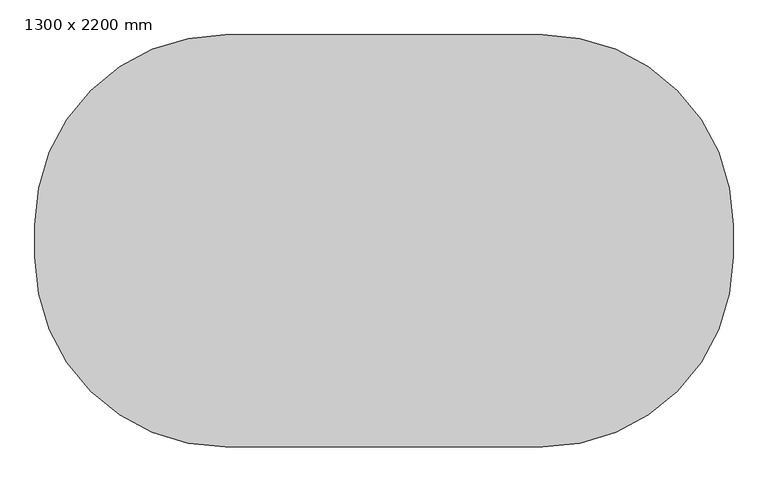
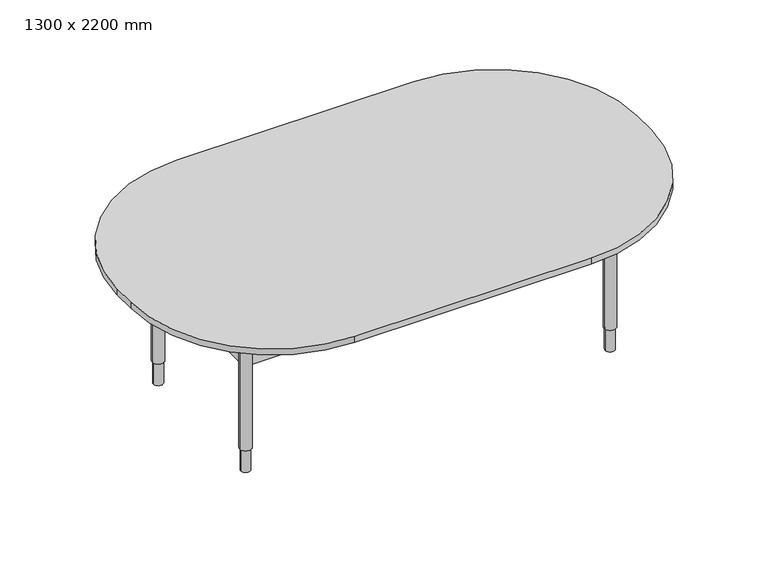
"""IFC4 building model written with IfcOpenShell, lengths in millimetres: furniture geometry, 1300 x 2200 mm."""

from ifc_helpers import new_model, si_unit, point, frame, frame_2d, origin, place, context, project, spatial, polyline, circle_curve, trimmed, segment, composite_curve, outline, extrude, faceted_brep, source, transform, mapped, element, save
from ifc_brep_helpers import plane_surface, cylinder_surface, advanced_brep


def furniture_1300_x_2200_mm_aa244a11(model_context):
    return source(origin(), model_context, "Body", "SolidModel", [
        extrude(outline(composite_curve([segment(trimmed(circle_curve(frame_2d((1056.8078121, -605.0)), 25.0), [point((1081.8078121, -605.0))], [point((1031.8078121, -605.0))], False, "CARTESIAN"), True, "CONTINUOUS"), segment(trimmed(circle_curve(frame_2d((1056.8078121, -605.0)), 25.0), [point((1031.8078121, -605.0))], [point((1081.8078121, -605.0))], False, "CARTESIAN"), True, "CONTINUOUS")], self_intersect=False)), frame((0.0, 0.0, 658.0), z_axis=(0.0, 0.0, 1.0), x_axis=(1.0, 0.0, 0.0)), (0.0, 0.0, 1.0), 15.0),
        extrude(outline(composite_curve([segment(trimmed(circle_curve(frame_2d((1156.8078121, -705.0)), 25.0), [point((1181.8078121, -705.0))], [point((1131.8078121, -705.0))], False, "CARTESIAN"), True, "CONTINUOUS"), segment(trimmed(circle_curve(frame_2d((1156.8078121, -705.0)), 25.0), [point((1131.8078121, -705.0))], [point((1181.8078121, -705.0))], False, "CARTESIAN"), True, "CONTINUOUS")], self_intersect=False)), frame((0.0, 0.0, 658.0), z_axis=(0.0, 0.0, 1.0), x_axis=(1.0, 0.0, 0.0)), (0.0, 0.0, 1.0), 15.0),
        extrude(outline(composite_curve([segment(trimmed(circle_curve(frame_2d((1056.8078121, -805.0)), 25.0), [point((1081.8078121, -805.0))], [point((1031.8078121, -805.0))], False, "CARTESIAN"), True, "CONTINUOUS"), segment(trimmed(circle_curve(frame_2d((1056.8078121, -805.0)), 25.0), [point((1031.8078121, -805.0))], [point((1081.8078121, -805.0))], False, "CARTESIAN"), True, "CONTINUOUS")], self_intersect=False)), frame((0.0, 0.0, 658.0), z_axis=(0.0, 0.0, 1.0), x_axis=(1.0, 0.0, 0.0)), (0.0, 0.0, 1.0), 15.0),
        extrude(outline(composite_curve([segment(trimmed(circle_curve(frame_2d((956.8078121, -705.0)), 25.0), [point((981.8078121, -705.0))], [point((931.8078121, -705.0))], False, "CARTESIAN"), True, "CONTINUOUS"), segment(trimmed(circle_curve(frame_2d((956.8078121, -705.0)), 25.0), [point((931.8078121, -705.0))], [point((981.8078121, -705.0))], False, "CARTESIAN"), True, "CONTINUOUS")], self_intersect=False)), frame((0.0, 0.0, 658.0), z_axis=(0.0, 0.0, 1.0), x_axis=(1.0, 0.0, 0.0)), (0.0, 0.0, 1.0), 15.0),
        faceted_brep([(951.8078121, -715.0, 635.8867513), (1034.7500985, -715.0, 588.0), (1046.8078121, -715.0, 588.0), (1046.8078121, -715.0, 603.0), (1028.7693364, -715.0, 603.0), (961.8078121, -715.0, 641.660254), (961.8078121, -715.0, 658.0), (951.8078121, -715.0, 658.0), (1078.8655258, -715.0, 588.0), (1161.8078121, -715.0, 635.8867513), (1161.8078121, -715.0, 658.0), (1151.8078121, -715.0, 658.0), (1151.8078121, -715.0, 641.660254), (1084.8462879, -715.0, 603.0), (1066.8078121, -715.0, 603.0), (1066.8078121, -715.0, 588.0), (951.8078121, -695.0, 635.8867513), (951.8078121, -695.0, 658.0), (961.8078121, -695.0, 658.0), (961.8078121, -695.0, 641.660254), (1028.7693364, -695.0, 603.0), (1046.8078121, -695.0, 603.0), (1046.8078121, -695.0, 588.0), (1034.7500985, -695.0, 588.0), (1084.8462879, -695.0, 603.0), (1151.8078121, -695.0, 641.660254), (1151.8078121, -695.0, 658.0), (1161.8078121, -695.0, 658.0), (1161.8078121, -695.0, 635.8867513), (1078.8655258, -695.0, 588.0), (1066.8078121, -695.0, 588.0), (1066.8078121, -695.0, 603.0), (1046.8078121, -682.9422863, 588.0), (1066.8078121, -682.9422863, 588.0), (1066.8078121, -727.0577137, 588.0), (1046.8078121, -727.0577137, 588.0), (1066.8078121, -676.9615242, 603.0), (1046.8078121, -676.9615242, 603.0), (1046.8078121, -733.0384758, 603.0), (1066.8078121, -733.0384758, 603.0), (1066.8078121, -600.0, 635.8867513), (1066.8078121, -600.0, 658.0), (1066.8078121, -610.0, 658.0), (1066.8078121, -610.0, 641.660254), (1066.8078121, -800.0, 641.660254), (1066.8078121, -800.0, 658.0), (1066.8078121, -810.0, 658.0), (1066.8078121, -810.0, 635.8867513), (1046.8078121, -600.0, 635.8867513), (1046.8078121, -610.0, 641.660254), (1046.8078121, -610.0, 658.0), (1046.8078121, -600.0, 658.0), (1046.8078121, -810.0, 635.8867513), (1046.8078121, -810.0, 658.0), (1046.8078121, -800.0, 658.0), (1046.8078121, -800.0, 641.660254)], [[[0, 1, 2, 3, 4, 5, 6, 7]], [[8, 9, 10, 11, 12, 13, 14, 15]], [[16, 17, 18, 19, 20, 21, 22, 23]], [[24, 25, 26, 27, 28, 29, 30, 31]], [[1, 0, 16, 23]], [[1, 23, 22, 32, 33, 30, 29, 8, 15, 34, 35, 2]], [[9, 8, 29, 28]], [[10, 9, 28, 27]], [[11, 10, 27, 26]], [[12, 11, 26, 25]], [[13, 12, 25, 24]], [[13, 24, 31, 36, 37, 21, 20, 4, 3, 38, 39, 14]], [[5, 4, 20, 19]], [[6, 5, 19, 18]], [[7, 6, 18, 17]], [[0, 7, 17, 16]], [[40, 41, 42, 43, 36, 31, 30, 33]], [[39, 44, 45, 46, 47, 34, 15, 14]], [[48, 32, 22, 21, 37, 49, 50, 51]], [[35, 52, 53, 54, 55, 38, 3, 2]], [[41, 40, 48, 51]], [[42, 41, 51, 50]], [[43, 42, 50, 49]], [[36, 43, 49, 37]], [[44, 39, 38, 55]], [[45, 44, 55, 54]], [[46, 45, 54, 53]], [[47, 46, 53, 52]], [[34, 47, 52, 35]], [[40, 33, 32, 48]]]),
        advanced_brep(
        [(1036.8078121, -705.0, 0.0), (1076.8078121, -705.0, 0.0), (1056.8078121, -705.0, 0.0), (1036.8078121, -705.0, 100.0), (1076.8078121, -705.0, 100.0), (1031.8078121, -705.0, 100.0), (1081.8078121, -705.0, 100.0), (1031.8078121, -705.0, 588.0), (1081.8078121, -705.0, 588.0), (1056.8078121, -705.0, 588.0)],
        [
            (0, 1, circle_curve(frame((1056.8078121, -705.0, 0.0), z_axis=(0.0, 0.0, -1.0), x_axis=(1.0, 0.0, 0.0)), 20.0)),
            (1, 2),
            (2, 0),
            (1, 0, circle_curve(frame((1056.8078121, -705.0, 0.0), z_axis=(0.0, 0.0, -1.0), x_axis=(1.0, 0.0, 0.0)), 20.0)),
            (3, 4, circle_curve(frame((1056.8078121, -705.0, 100.0), z_axis=(0.0, 0.0, -1.0), x_axis=(1.0, 0.0, 0.0)), 20.0)),
            (4, 1),
            (0, 3),
            (4, 3, circle_curve(frame((1056.8078121, -705.0, 100.0), z_axis=(0.0, 0.0, -1.0), x_axis=(1.0, 0.0, 0.0)), 20.0)),
            (5, 6, circle_curve(frame((1056.8078121, -705.0, 100.0), z_axis=(0.0, 0.0, -1.0), x_axis=(1.0, 0.0, 0.0)), 25.0)),
            (6, 4),
            (3, 5),
            (6, 5, circle_curve(frame((1056.8078121, -705.0, 100.0), z_axis=(0.0, 0.0, -1.0), x_axis=(1.0, 0.0, 0.0)), 25.0)),
            (7, 8, circle_curve(frame((1056.8078121, -705.0, 588.0), z_axis=(0.0, 0.0, -1.0), x_axis=(1.0, 0.0, 0.0)), 25.0)),
            (8, 6),
            (5, 7),
            (8, 7, circle_curve(frame((1056.8078121, -705.0, 588.0), z_axis=(0.0, 0.0, -1.0), x_axis=(1.0, 0.0, 0.0)), 25.0)),
            (9, 8),
            (7, 9),
        ],
        [
            plane_surface(frame((1056.8078121, -705.0, 0.0), z_axis=(0.0, 0.0, -1.0), x_axis=(1.0, 0.0, 0.0))),
            cylinder_surface(frame((1056.8078121, -705.0, 968.0), z_axis=(0.0, 0.0, 1.0), x_axis=(1.0, 0.0, 0.0)), 20.0),
            plane_surface(frame((1056.8078121, -705.0, 100.0), z_axis=(0.0, 0.0, -1.0), x_axis=(1.0, 0.0, 0.0))),
            cylinder_surface(frame((1056.8078121, -705.0, 968.0), z_axis=(0.0, 0.0, 1.0), x_axis=(1.0, 0.0, 0.0)), 25.0),
            plane_surface(frame((1056.8078121, -705.0, 588.0), z_axis=(0.0, 0.0, 1.0), x_axis=(1.0, 0.0, 0.0))),
        ],
        [
            (0, [[1, 2, 3]]),
            (0, [[4, -3, -2]]),
            (1, [[5, 6, -1, 7]]),
            (1, [[8, -7, -4, -6]]),
            (2, [[9, 10, -5, 11]]),
            (2, [[12, -11, -8, -10]]),
            (3, [[13, 14, -9, 15]]),
            (3, [[16, -15, -12, -14]]),
            (4, [[17, -13, 18]]),
            (4, [[-18, -16, -17]]),
        ],
    ),
        extrude(outline(composite_curve([segment(trimmed(circle_curve(frame_2d((-483.1921879, -605.0)), 25.0), [point((-458.1921879, -605.0))], [point((-508.1921879, -605.0))], False, "CARTESIAN"), True, "CONTINUOUS"), segment(trimmed(circle_curve(frame_2d((-483.1921879, -605.0)), 25.0), [point((-508.1921879, -605.0))], [point((-458.1921879, -605.0))], False, "CARTESIAN"), True, "CONTINUOUS")], self_intersect=False)), frame((0.0, 0.0, 658.0), z_axis=(0.0, 0.0, 1.0), x_axis=(1.0, 0.0, 0.0)), (0.0, 0.0, 1.0), 15.0),
        extrude(outline(composite_curve([segment(trimmed(circle_curve(frame_2d((-383.1921879, -705.0)), 25.0), [point((-358.1921879, -705.0))], [point((-408.1921879, -705.0))], False, "CARTESIAN"), True, "CONTINUOUS"), segment(trimmed(circle_curve(frame_2d((-383.1921879, -705.0)), 25.0), [point((-408.1921879, -705.0))], [point((-358.1921879, -705.0))], False, "CARTESIAN"), True, "CONTINUOUS")], self_intersect=False)), frame((0.0, 0.0, 658.0), z_axis=(0.0, 0.0, 1.0), x_axis=(1.0, 0.0, 0.0)), (0.0, 0.0, 1.0), 15.0),
        extrude(outline(composite_curve([segment(trimmed(circle_curve(frame_2d((-483.1921879, -805.0)), 25.0), [point((-458.1921879, -805.0))], [point((-508.1921879, -805.0))], False, "CARTESIAN"), True, "CONTINUOUS"), segment(trimmed(circle_curve(frame_2d((-483.1921879, -805.0)), 25.0), [point((-508.1921879, -805.0))], [point((-458.1921879, -805.0))], False, "CARTESIAN"), True, "CONTINUOUS")], self_intersect=False)), frame((0.0, 0.0, 658.0), z_axis=(0.0, 0.0, 1.0), x_axis=(1.0, 0.0, 0.0)), (0.0, 0.0, 1.0), 15.0),
        extrude(outline(composite_curve([segment(trimmed(circle_curve(frame_2d((-583.1921879, -705.0)), 25.0), [point((-558.1921879, -705.0))], [point((-608.1921879, -705.0))], False, "CARTESIAN"), True, "CONTINUOUS"), segment(trimmed(circle_curve(frame_2d((-583.1921879, -705.0)), 25.0), [point((-608.1921879, -705.0))], [point((-558.1921879, -705.0))], False, "CARTESIAN"), True, "CONTINUOUS")], self_intersect=False)), frame((0.0, 0.0, 658.0), z_axis=(0.0, 0.0, 1.0), x_axis=(1.0, 0.0, 0.0)), (0.0, 0.0, 1.0), 15.0),
        faceted_brep([(-588.1921879, -715.0, 635.8867513), (-505.2499015, -715.0, 588.0), (-493.1921879, -715.0, 588.0), (-493.1921879, -715.0, 603.0), (-511.2306636, -715.0, 603.0), (-578.1921879, -715.0, 641.660254), (-578.1921879, -715.0, 658.0), (-588.1921879, -715.0, 658.0), (-461.1344742, -715.0, 588.0), (-378.1921879, -715.0, 635.8867513), (-378.1921879, -715.0, 658.0), (-388.1921879, -715.0, 658.0), (-388.1921879, -715.0, 641.660254), (-455.1537121, -715.0, 603.0), (-473.1921879, -715.0, 603.0), (-473.1921879, -715.0, 588.0), (-588.1921879, -695.0, 635.8867513), (-588.1921879, -695.0, 658.0), (-578.1921879, -695.0, 658.0), (-578.1921879, -695.0, 641.660254), (-511.2306636, -695.0, 603.0), (-493.1921879, -695.0, 603.0), (-493.1921879, -695.0, 588.0), (-505.2499015, -695.0, 588.0), (-455.1537121, -695.0, 603.0), (-388.1921879, -695.0, 641.660254), (-388.1921879, -695.0, 658.0), (-378.1921879, -695.0, 658.0), (-378.1921879, -695.0, 635.8867513), (-461.1344742, -695.0, 588.0), (-473.1921879, -695.0, 588.0), (-473.1921879, -695.0, 603.0), (-493.1921879, -682.9422863, 588.0), (-473.1921879, -682.9422863, 588.0), (-473.1921879, -727.0577137, 588.0), (-493.1921879, -727.0577137, 588.0), (-473.1921879, -676.9615242, 603.0), (-493.1921879, -676.9615242, 603.0), (-493.1921879, -733.0384758, 603.0), (-473.1921879, -733.0384758, 603.0), (-473.1921879, -600.0, 635.8867513), (-473.1921879, -600.0, 658.0), (-473.1921879, -610.0, 658.0), (-473.1921879, -610.0, 641.660254), (-473.1921879, -800.0, 641.660254), (-473.1921879, -800.0, 658.0), (-473.1921879, -810.0, 658.0), (-473.1921879, -810.0, 635.8867513), (-493.1921879, -600.0, 635.8867513), (-493.1921879, -610.0, 641.660254), (-493.1921879, -610.0, 658.0), (-493.1921879, -600.0, 658.0), (-493.1921879, -810.0, 635.8867513), (-493.1921879, -810.0, 658.0), (-493.1921879, -800.0, 658.0), (-493.1921879, -800.0, 641.660254)], [[[0, 1, 2, 3, 4, 5, 6, 7]], [[8, 9, 10, 11, 12, 13, 14, 15]], [[16, 17, 18, 19, 20, 21, 22, 23]], [[24, 25, 26, 27, 28, 29, 30, 31]], [[1, 0, 16, 23]], [[1, 23, 22, 32, 33, 30, 29, 8, 15, 34, 35, 2]], [[9, 8, 29, 28]], [[10, 9, 28, 27]], [[11, 10, 27, 26]], [[12, 11, 26, 25]], [[13, 12, 25, 24]], [[13, 24, 31, 36, 37, 21, 20, 4, 3, 38, 39, 14]], [[5, 4, 20, 19]], [[6, 5, 19, 18]], [[7, 6, 18, 17]], [[0, 7, 17, 16]], [[40, 41, 42, 43, 36, 31, 30, 33]], [[39, 44, 45, 46, 47, 34, 15, 14]], [[48, 32, 22, 21, 37, 49, 50, 51]], [[35, 52, 53, 54, 55, 38, 3, 2]], [[41, 40, 48, 51]], [[42, 41, 51, 50]], [[43, 42, 50, 49]], [[36, 43, 49, 37]], [[44, 39, 38, 55]], [[45, 44, 55, 54]], [[46, 45, 54, 53]], [[47, 46, 53, 52]], [[34, 47, 52, 35]], [[40, 33, 32, 48]]]),
        advanced_brep(
        [(-503.1921879, -705.0, 0.0), (-463.1921879, -705.0, 0.0), (-483.1921879, -705.0, 0.0), (-503.1921879, -705.0, 100.0), (-463.1921879, -705.0, 100.0), (-508.1921879, -705.0, 100.0), (-458.1921879, -705.0, 100.0), (-508.1921879, -705.0, 588.0), (-458.1921879, -705.0, 588.0), (-483.1921879, -705.0, 588.0)],
        [
            (0, 1, circle_curve(frame((-483.1921879, -705.0, 0.0), z_axis=(0.0, 0.0, -1.0), x_axis=(1.0, 0.0, 0.0)), 20.0)),
            (1, 2),
            (2, 0),
            (1, 0, circle_curve(frame((-483.1921879, -705.0, 0.0), z_axis=(0.0, 0.0, -1.0), x_axis=(1.0, 0.0, 0.0)), 20.0)),
            (3, 4, circle_curve(frame((-483.1921879, -705.0, 100.0), z_axis=(0.0, 0.0, -1.0), x_axis=(1.0, 0.0, 0.0)), 20.0)),
            (4, 1),
            (0, 3),
            (4, 3, circle_curve(frame((-483.1921879, -705.0, 100.0), z_axis=(0.0, 0.0, -1.0), x_axis=(1.0, 0.0, 0.0)), 20.0)),
            (5, 6, circle_curve(frame((-483.1921879, -705.0, 100.0), z_axis=(0.0, 0.0, -1.0), x_axis=(1.0, 0.0, 0.0)), 25.0)),
            (6, 4),
            (3, 5),
            (6, 5, circle_curve(frame((-483.1921879, -705.0, 100.0), z_axis=(0.0, 0.0, -1.0), x_axis=(1.0, 0.0, 0.0)), 25.0)),
            (7, 8, circle_curve(frame((-483.1921879, -705.0, 588.0), z_axis=(0.0, 0.0, -1.0), x_axis=(1.0, 0.0, 0.0)), 25.0)),
            (8, 6),
            (5, 7),
            (8, 7, circle_curve(frame((-483.1921879, -705.0, 588.0), z_axis=(0.0, 0.0, -1.0), x_axis=(1.0, 0.0, 0.0)), 25.0)),
            (9, 8),
            (7, 9),
        ],
        [
            plane_surface(frame((-483.1921879, -705.0, 0.0), z_axis=(0.0, 0.0, -1.0), x_axis=(1.0, 0.0, 0.0))),
            cylinder_surface(frame((-483.1921879, -705.0, 968.0), z_axis=(0.0, 0.0, 1.0), x_axis=(1.0, 0.0, 0.0)), 20.0),
            plane_surface(frame((-483.1921879, -705.0, 100.0), z_axis=(0.0, 0.0, -1.0), x_axis=(1.0, 0.0, 0.0))),
            cylinder_surface(frame((-483.1921879, -705.0, 968.0), z_axis=(0.0, 0.0, 1.0), x_axis=(1.0, 0.0, 0.0)), 25.0),
            plane_surface(frame((-483.1921879, -705.0, 588.0), z_axis=(0.0, 0.0, 1.0), x_axis=(1.0, 0.0, 0.0))),
        ],
        [
            (0, [[1, 2, 3]]),
            (0, [[4, -3, -2]]),
            (1, [[5, 6, -1, 7]]),
            (1, [[8, -7, -4, -6]]),
            (2, [[9, 10, -5, 11]]),
            (2, [[12, -11, -8, -10]]),
            (3, [[13, 14, -9, 15]]),
            (3, [[16, -15, -12, -14]]),
            (4, [[17, -13, 18]]),
            (4, [[-18, -16, -17]]),
        ],
    ),
        extrude(outline(composite_curve([segment(trimmed(circle_curve(frame_2d((1056.8078121, 35.0)), 25.0), [point((1081.8078121, 35.0))], [point((1031.8078121, 35.0))], False, "CARTESIAN"), True, "CONTINUOUS"), segment(trimmed(circle_curve(frame_2d((1056.8078121, 35.0)), 25.0), [point((1031.8078121, 35.0))], [point((1081.8078121, 35.0))], False, "CARTESIAN"), True, "CONTINUOUS")], self_intersect=False)), frame((0.0, 0.0, 658.0), z_axis=(0.0, 0.0, 1.0), x_axis=(1.0, 0.0, 0.0)), (0.0, 0.0, 1.0), 15.0),
        extrude(outline(composite_curve([segment(trimmed(circle_curve(frame_2d((1156.8078121, -65.0)), 25.0), [point((1181.8078121, -65.0))], [point((1131.8078121, -65.0))], False, "CARTESIAN"), True, "CONTINUOUS"), segment(trimmed(circle_curve(frame_2d((1156.8078121, -65.0)), 25.0), [point((1131.8078121, -65.0))], [point((1181.8078121, -65.0))], False, "CARTESIAN"), True, "CONTINUOUS")], self_intersect=False)), frame((0.0, 0.0, 658.0), z_axis=(0.0, 0.0, 1.0), x_axis=(1.0, 0.0, 0.0)), (0.0, 0.0, 1.0), 15.0),
        extrude(outline(composite_curve([segment(trimmed(circle_curve(frame_2d((1056.8078121, -165.0)), 25.0), [point((1081.8078121, -165.0))], [point((1031.8078121, -165.0))], False, "CARTESIAN"), True, "CONTINUOUS"), segment(trimmed(circle_curve(frame_2d((1056.8078121, -165.0)), 25.0), [point((1031.8078121, -165.0))], [point((1081.8078121, -165.0))], False, "CARTESIAN"), True, "CONTINUOUS")], self_intersect=False)), frame((0.0, 0.0, 658.0), z_axis=(0.0, 0.0, 1.0), x_axis=(1.0, 0.0, 0.0)), (0.0, 0.0, 1.0), 15.0),
        extrude(outline(composite_curve([segment(trimmed(circle_curve(frame_2d((956.8078121, -65.0)), 25.0), [point((981.8078121, -65.0))], [point((931.8078121, -65.0))], False, "CARTESIAN"), True, "CONTINUOUS"), segment(trimmed(circle_curve(frame_2d((956.8078121, -65.0)), 25.0), [point((931.8078121, -65.0))], [point((981.8078121, -65.0))], False, "CARTESIAN"), True, "CONTINUOUS")], self_intersect=False)), frame((0.0, 0.0, 658.0), z_axis=(0.0, 0.0, 1.0), x_axis=(1.0, 0.0, 0.0)), (0.0, 0.0, 1.0), 15.0),
        faceted_brep([(951.8078121, -75.0, 635.8867513), (1034.7500985, -75.0, 588.0), (1046.8078121, -75.0, 588.0), (1046.8078121, -75.0, 603.0), (1028.7693364, -75.0, 603.0), (961.8078121, -75.0, 641.660254), (961.8078121, -75.0, 658.0), (951.8078121, -75.0, 658.0), (1078.8655258, -75.0, 588.0), (1161.8078121, -75.0, 635.8867513), (1161.8078121, -75.0, 658.0), (1151.8078121, -75.0, 658.0), (1151.8078121, -75.0, 641.660254), (1084.8462879, -75.0, 603.0), (1066.8078121, -75.0, 603.0), (1066.8078121, -75.0, 588.0), (951.8078121, -55.0, 635.8867513), (951.8078121, -55.0, 658.0), (961.8078121, -55.0, 658.0), (961.8078121, -55.0, 641.660254), (1028.7693364, -55.0, 603.0), (1046.8078121, -55.0, 603.0), (1046.8078121, -55.0, 588.0), (1034.7500985, -55.0, 588.0), (1084.8462879, -55.0, 603.0), (1151.8078121, -55.0, 641.660254), (1151.8078121, -55.0, 658.0), (1161.8078121, -55.0, 658.0), (1161.8078121, -55.0, 635.8867513), (1078.8655258, -55.0, 588.0), (1066.8078121, -55.0, 588.0), (1066.8078121, -55.0, 603.0), (1046.8078121, -42.9422863, 588.0), (1066.8078121, -42.9422863, 588.0), (1066.8078121, -87.0577137, 588.0), (1046.8078121, -87.0577137, 588.0), (1066.8078121, -36.9615242, 603.0), (1046.8078121, -36.9615242, 603.0), (1046.8078121, -93.0384758, 603.0), (1066.8078121, -93.0384758, 603.0), (1066.8078121, 40.0, 635.8867513), (1066.8078121, 40.0, 658.0), (1066.8078121, 30.0, 658.0), (1066.8078121, 30.0, 641.660254), (1066.8078121, -160.0, 641.660254), (1066.8078121, -160.0, 658.0), (1066.8078121, -170.0, 658.0), (1066.8078121, -170.0, 635.8867513), (1046.8078121, 40.0, 635.8867513), (1046.8078121, 30.0, 641.660254), (1046.8078121, 30.0, 658.0), (1046.8078121, 40.0, 658.0), (1046.8078121, -170.0, 635.8867513), (1046.8078121, -170.0, 658.0), (1046.8078121, -160.0, 658.0), (1046.8078121, -160.0, 641.660254)], [[[0, 1, 2, 3, 4, 5, 6, 7]], [[8, 9, 10, 11, 12, 13, 14, 15]], [[16, 17, 18, 19, 20, 21, 22, 23]], [[24, 25, 26, 27, 28, 29, 30, 31]], [[1, 0, 16, 23]], [[1, 23, 22, 32, 33, 30, 29, 8, 15, 34, 35, 2]], [[9, 8, 29, 28]], [[10, 9, 28, 27]], [[11, 10, 27, 26]], [[12, 11, 26, 25]], [[13, 12, 25, 24]], [[13, 24, 31, 36, 37, 21, 20, 4, 3, 38, 39, 14]], [[5, 4, 20, 19]], [[6, 5, 19, 18]], [[7, 6, 18, 17]], [[0, 7, 17, 16]], [[40, 41, 42, 43, 36, 31, 30, 33]], [[39, 44, 45, 46, 47, 34, 15, 14]], [[48, 32, 22, 21, 37, 49, 50, 51]], [[35, 52, 53, 54, 55, 38, 3, 2]], [[41, 40, 48, 51]], [[42, 41, 51, 50]], [[43, 42, 50, 49]], [[36, 43, 49, 37]], [[44, 39, 38, 55]], [[45, 44, 55, 54]], [[46, 45, 54, 53]], [[47, 46, 53, 52]], [[34, 47, 52, 35]], [[40, 33, 32, 48]]]),
        advanced_brep(
        [(1036.8078121, -65.0, 0.0), (1076.8078121, -65.0, 0.0), (1056.8078121, -65.0, 0.0), (1036.8078121, -65.0, 100.0), (1076.8078121, -65.0, 100.0), (1031.8078121, -65.0, 100.0), (1081.8078121, -65.0, 100.0), (1031.8078121, -65.0, 588.0), (1081.8078121, -65.0, 588.0), (1056.8078121, -65.0, 588.0)],
        [
            (0, 1, circle_curve(frame((1056.8078121, -65.0, 0.0), z_axis=(0.0, 0.0, -1.0), x_axis=(1.0, 0.0, 0.0)), 20.0)),
            (1, 2),
            (2, 0),
            (1, 0, circle_curve(frame((1056.8078121, -65.0, 0.0), z_axis=(0.0, 0.0, -1.0), x_axis=(1.0, 0.0, 0.0)), 20.0)),
            (3, 4, circle_curve(frame((1056.8078121, -65.0, 100.0), z_axis=(0.0, 0.0, -1.0), x_axis=(1.0, 0.0, 0.0)), 20.0)),
            (4, 1),
            (0, 3),
            (4, 3, circle_curve(frame((1056.8078121, -65.0, 100.0), z_axis=(0.0, 0.0, -1.0), x_axis=(1.0, 0.0, 0.0)), 20.0)),
            (5, 6, circle_curve(frame((1056.8078121, -65.0, 100.0), z_axis=(0.0, 0.0, -1.0), x_axis=(1.0, 0.0, 0.0)), 25.0)),
            (6, 4),
            (3, 5),
            (6, 5, circle_curve(frame((1056.8078121, -65.0, 100.0), z_axis=(0.0, 0.0, -1.0), x_axis=(1.0, 0.0, 0.0)), 25.0)),
            (7, 8, circle_curve(frame((1056.8078121, -65.0, 588.0), z_axis=(0.0, 0.0, -1.0), x_axis=(1.0, 0.0, 0.0)), 25.0)),
            (8, 6),
            (5, 7),
            (8, 7, circle_curve(frame((1056.8078121, -65.0, 588.0), z_axis=(0.0, 0.0, -1.0), x_axis=(1.0, 0.0, 0.0)), 25.0)),
            (9, 8),
            (7, 9),
        ],
        [
            plane_surface(frame((1056.8078121, -65.0, 0.0), z_axis=(0.0, 0.0, -1.0), x_axis=(1.0, 0.0, 0.0))),
            cylinder_surface(frame((1056.8078121, -65.0, 968.0), z_axis=(0.0, 0.0, 1.0), x_axis=(1.0, 0.0, 0.0)), 20.0),
            plane_surface(frame((1056.8078121, -65.0, 100.0), z_axis=(0.0, 0.0, -1.0), x_axis=(1.0, 0.0, 0.0))),
            cylinder_surface(frame((1056.8078121, -65.0, 968.0), z_axis=(0.0, 0.0, 1.0), x_axis=(1.0, 0.0, 0.0)), 25.0),
            plane_surface(frame((1056.8078121, -65.0, 588.0), z_axis=(0.0, 0.0, 1.0), x_axis=(1.0, 0.0, 0.0))),
        ],
        [
            (0, [[1, 2, 3]]),
            (0, [[4, -3, -2]]),
            (1, [[5, 6, -1, 7]]),
            (1, [[8, -7, -4, -6]]),
            (2, [[9, 10, -5, 11]]),
            (2, [[12, -11, -8, -10]]),
            (3, [[13, 14, -9, 15]]),
            (3, [[16, -15, -12, -14]]),
            (4, [[17, -13, 18]]),
            (4, [[-18, -16, -17]]),
        ],
    ),
        extrude(outline(composite_curve([segment(trimmed(circle_curve(frame_2d((-483.1921879, 35.0)), 25.0), [point((-458.1921879, 35.0))], [point((-508.1921879, 35.0))], False, "CARTESIAN"), True, "CONTINUOUS"), segment(trimmed(circle_curve(frame_2d((-483.1921879, 35.0)), 25.0), [point((-508.1921879, 35.0))], [point((-458.1921879, 35.0))], False, "CARTESIAN"), True, "CONTINUOUS")], self_intersect=False)), frame((0.0, 0.0, 658.0), z_axis=(0.0, 0.0, 1.0), x_axis=(1.0, 0.0, 0.0)), (0.0, 0.0, 1.0), 15.0),
        extrude(outline(composite_curve([segment(trimmed(circle_curve(frame_2d((-383.1921879, -65.0)), 25.0), [point((-358.1921879, -65.0))], [point((-408.1921879, -65.0))], False, "CARTESIAN"), True, "CONTINUOUS"), segment(trimmed(circle_curve(frame_2d((-383.1921879, -65.0)), 25.0), [point((-408.1921879, -65.0))], [point((-358.1921879, -65.0))], False, "CARTESIAN"), True, "CONTINUOUS")], self_intersect=False)), frame((0.0, 0.0, 658.0), z_axis=(0.0, 0.0, 1.0), x_axis=(1.0, 0.0, 0.0)), (0.0, 0.0, 1.0), 15.0),
        extrude(outline(composite_curve([segment(trimmed(circle_curve(frame_2d((-483.1921879, -165.0)), 25.0), [point((-458.1921879, -165.0))], [point((-508.1921879, -165.0))], False, "CARTESIAN"), True, "CONTINUOUS"), segment(trimmed(circle_curve(frame_2d((-483.1921879, -165.0)), 25.0), [point((-508.1921879, -165.0))], [point((-458.1921879, -165.0))], False, "CARTESIAN"), True, "CONTINUOUS")], self_intersect=False)), frame((0.0, 0.0, 658.0), z_axis=(0.0, 0.0, 1.0), x_axis=(1.0, 0.0, 0.0)), (0.0, 0.0, 1.0), 15.0),
        extrude(outline(composite_curve([segment(trimmed(circle_curve(frame_2d((-583.1921879, -65.0)), 25.0), [point((-558.1921879, -65.0))], [point((-608.1921879, -65.0))], False, "CARTESIAN"), True, "CONTINUOUS"), segment(trimmed(circle_curve(frame_2d((-583.1921879, -65.0)), 25.0), [point((-608.1921879, -65.0))], [point((-558.1921879, -65.0))], False, "CARTESIAN"), True, "CONTINUOUS")], self_intersect=False)), frame((0.0, 0.0, 658.0), z_axis=(0.0, 0.0, 1.0), x_axis=(1.0, 0.0, 0.0)), (0.0, 0.0, 1.0), 15.0),
        faceted_brep([(-588.1921879, -75.0, 635.8867513), (-505.2499015, -75.0, 588.0), (-493.1921879, -75.0, 588.0), (-493.1921879, -75.0, 603.0), (-511.2306636, -75.0, 603.0), (-578.1921879, -75.0, 641.660254), (-578.1921879, -75.0, 658.0), (-588.1921879, -75.0, 658.0), (-461.1344742, -75.0, 588.0), (-378.1921879, -75.0, 635.8867513), (-378.1921879, -75.0, 658.0), (-388.1921879, -75.0, 658.0), (-388.1921879, -75.0, 641.660254), (-455.1537121, -75.0, 603.0), (-473.1921879, -75.0, 603.0), (-473.1921879, -75.0, 588.0), (-588.1921879, -55.0, 635.8867513), (-588.1921879, -55.0, 658.0), (-578.1921879, -55.0, 658.0), (-578.1921879, -55.0, 641.660254), (-511.2306636, -55.0, 603.0), (-493.1921879, -55.0, 603.0), (-493.1921879, -55.0, 588.0), (-505.2499015, -55.0, 588.0), (-455.1537121, -55.0, 603.0), (-388.1921879, -55.0, 641.660254), (-388.1921879, -55.0, 658.0), (-378.1921879, -55.0, 658.0), (-378.1921879, -55.0, 635.8867513), (-461.1344742, -55.0, 588.0), (-473.1921879, -55.0, 588.0), (-473.1921879, -55.0, 603.0), (-493.1921879, -42.9422863, 588.0), (-473.1921879, -42.9422863, 588.0), (-473.1921879, -87.0577137, 588.0), (-493.1921879, -87.0577137, 588.0), (-473.1921879, -36.9615242, 603.0), (-493.1921879, -36.9615242, 603.0), (-493.1921879, -93.0384758, 603.0), (-473.1921879, -93.0384758, 603.0), (-473.1921879, 40.0, 635.8867513), (-473.1921879, 40.0, 658.0), (-473.1921879, 30.0, 658.0), (-473.1921879, 30.0, 641.660254), (-473.1921879, -160.0, 641.660254), (-473.1921879, -160.0, 658.0), (-473.1921879, -170.0, 658.0), (-473.1921879, -170.0, 635.8867513), (-493.1921879, 40.0, 635.8867513), (-493.1921879, 30.0, 641.660254), (-493.1921879, 30.0, 658.0), (-493.1921879, 40.0, 658.0), (-493.1921879, -170.0, 635.8867513), (-493.1921879, -170.0, 658.0), (-493.1921879, -160.0, 658.0), (-493.1921879, -160.0, 641.660254)], [[[0, 1, 2, 3, 4, 5, 6, 7]], [[8, 9, 10, 11, 12, 13, 14, 15]], [[16, 17, 18, 19, 20, 21, 22, 23]], [[24, 25, 26, 27, 28, 29, 30, 31]], [[1, 0, 16, 23]], [[1, 23, 22, 32, 33, 30, 29, 8, 15, 34, 35, 2]], [[9, 8, 29, 28]], [[10, 9, 28, 27]], [[11, 10, 27, 26]], [[12, 11, 26, 25]], [[13, 12, 25, 24]], [[13, 24, 31, 36, 37, 21, 20, 4, 3, 38, 39, 14]], [[5, 4, 20, 19]], [[6, 5, 19, 18]], [[7, 6, 18, 17]], [[0, 7, 17, 16]], [[40, 41, 42, 43, 36, 31, 30, 33]], [[39, 44, 45, 46, 47, 34, 15, 14]], [[48, 32, 22, 21, 37, 49, 50, 51]], [[35, 52, 53, 54, 55, 38, 3, 2]], [[41, 40, 48, 51]], [[42, 41, 51, 50]], [[43, 42, 50, 49]], [[36, 43, 49, 37]], [[44, 39, 38, 55]], [[45, 44, 55, 54]], [[46, 45, 54, 53]], [[47, 46, 53, 52]], [[34, 47, 52, 35]], [[40, 33, 32, 48]]]),
        advanced_brep(
        [(-503.1921879, -65.0, 0.0), (-463.1921879, -65.0, 0.0), (-483.1921879, -65.0, 0.0), (-503.1921879, -65.0, 100.0), (-463.1921879, -65.0, 100.0), (-508.1921879, -65.0, 100.0), (-458.1921879, -65.0, 100.0), (-508.1921879, -65.0, 588.0), (-458.1921879, -65.0, 588.0), (-483.1921879, -65.0, 588.0)],
        [
            (0, 1, circle_curve(frame((-483.1921879, -65.0, 0.0), z_axis=(0.0, 0.0, -1.0), x_axis=(1.0, 0.0, 0.0)), 20.0)),
            (1, 2),
            (2, 0),
            (1, 0, circle_curve(frame((-483.1921879, -65.0, 0.0), z_axis=(0.0, 0.0, -1.0), x_axis=(1.0, 0.0, 0.0)), 20.0)),
            (3, 4, circle_curve(frame((-483.1921879, -65.0, 100.0), z_axis=(0.0, 0.0, -1.0), x_axis=(1.0, 0.0, 0.0)), 20.0)),
            (4, 1),
            (0, 3),
            (4, 3, circle_curve(frame((-483.1921879, -65.0, 100.0), z_axis=(0.0, 0.0, -1.0), x_axis=(1.0, 0.0, 0.0)), 20.0)),
            (5, 6, circle_curve(frame((-483.1921879, -65.0, 100.0), z_axis=(0.0, 0.0, -1.0), x_axis=(1.0, 0.0, 0.0)), 25.0)),
            (6, 4),
            (3, 5),
            (6, 5, circle_curve(frame((-483.1921879, -65.0, 100.0), z_axis=(0.0, 0.0, -1.0), x_axis=(1.0, 0.0, 0.0)), 25.0)),
            (7, 8, circle_curve(frame((-483.1921879, -65.0, 588.0), z_axis=(0.0, 0.0, -1.0), x_axis=(1.0, 0.0, 0.0)), 25.0)),
            (8, 6),
            (5, 7),
            (8, 7, circle_curve(frame((-483.1921879, -65.0, 588.0), z_axis=(0.0, 0.0, -1.0), x_axis=(1.0, 0.0, 0.0)), 25.0)),
            (9, 8),
            (7, 9),
        ],
        [
            plane_surface(frame((-483.1921879, -65.0, 0.0), z_axis=(0.0, 0.0, -1.0), x_axis=(1.0, 0.0, 0.0))),
            cylinder_surface(frame((-483.1921879, -65.0, 968.0), z_axis=(0.0, 0.0, 1.0), x_axis=(1.0, 0.0, 0.0)), 20.0),
            plane_surface(frame((-483.1921879, -65.0, 100.0), z_axis=(0.0, 0.0, -1.0), x_axis=(1.0, 0.0, 0.0))),
            cylinder_surface(frame((-483.1921879, -65.0, 968.0), z_axis=(0.0, 0.0, 1.0), x_axis=(1.0, 0.0, 0.0)), 25.0),
            plane_surface(frame((-483.1921879, -65.0, 588.0), z_axis=(0.0, 0.0, 1.0), x_axis=(1.0, 0.0, 0.0))),
        ],
        [
            (0, [[1, 2, 3]]),
            (0, [[4, -3, -2]]),
            (1, [[5, 6, -1, 7]]),
            (1, [[8, -7, -4, -6]]),
            (2, [[9, 10, -5, 11]]),
            (2, [[12, -11, -8, -10]]),
            (3, [[13, 14, -9, 15]]),
            (3, [[16, -15, -12, -14]]),
            (4, [[17, -13, 18]]),
            (4, [[-18, -16, -17]]),
        ],
    ),
        extrude(outline(polyline([(1071.8078121, -720.0), (-498.1921879, -720.0), (-498.1921879, -50.0), (1071.8078121, -50.0), (1071.8078121, -720.0)]), holes=[polyline([(1041.8078121, -80.0), (-468.1921879, -80.0), (-468.1921879, -690.0), (1041.8078121, -690.0), (1041.8078121, -80.0)])]), frame((0.0, 0.0, 473.0), z_axis=(0.0, 0.0, 1.0), x_axis=(1.0, 0.0, 0.0)), (0.0, 0.0, 1.0), 100.0),
        extrude(outline(composite_curve([segment(trimmed(circle_curve(frame_2d((786.8078121, -335.0)), 600.0), [point((786.8078121, 265.0))], [point((1386.8078121, -335.0))], False, "CARTESIAN"), True, "CONTINUOUS"), segment(polyline([(1386.8078121, -335.0), (1386.8078121, -435.0)]), True, "CONTINUOUS"), segment(trimmed(circle_curve(frame_2d((786.8078121, -435.0)), 600.0), [point((1386.8078121, -435.0))], [point((786.8078121, -1035.0))], False, "CARTESIAN"), True, "CONTINUOUS"), segment(polyline([(786.8078121, -1035.0), (-213.1921879, -1035.0)]), True, "CONTINUOUS"), segment(trimmed(circle_curve(frame_2d((-213.1921879, -435.0)), 600.0), [point((-213.1921879, -1035.0))], [point((-813.1921879, -435.0))], False, "CARTESIAN"), True, "CONTINUOUS"), segment(polyline([(-813.1921879, -435.0), (-813.1921879, -335.0)]), True, "CONTINUOUS"), segment(trimmed(circle_curve(frame_2d((-213.1921879, -335.0)), 600.0), [point((-813.1921879, -335.0))], [point((-213.1921879, 265.0))], False, "CARTESIAN"), True, "CONTINUOUS"), segment(polyline([(-213.1921879, 265.0), (786.8078121, 265.0)]), True, "CONTINUOUS")], self_intersect=False)), frame((0.0, 0.0, 673.0), z_axis=(0.0, 0.0, 1.0), x_axis=(1.0, 0.0, 0.0)), (0.0, 0.0, 1.0), 27.0),
    ])


if __name__ == "__main__":
    model = new_model("IFC4")
    model_context = context("Model", 3, world=origin())
    ifc_project = project(units=[si_unit("LENGTHUNIT", "METRE", prefix="MILLI")], contexts=[model_context])
    site = spatial("IfcSite", under=ifc_project)
    building = spatial("IfcBuilding", under=site)
    placement = place(None, origin())
    furniture_1300_x_2200_mm_shape = furniture_1300_x_2200_mm_aa244a11(model_context)
    element("IfcFurniture", 1, ObjectType="1300 x 2200 mm", at=placement, inside=building, context=model_context, shape_type="MappedRepresentation", body=[
        mapped(furniture_1300_x_2200_mm_shape, transform((0.0, 0.0, 0.0), x_axis=(1.0, 0.0, 0.0), y_axis=(0.0, 1.0, 0.0), z_axis=(0.0, 0.0, 1.0))),
    ])
    save(model, "model.ifc")
